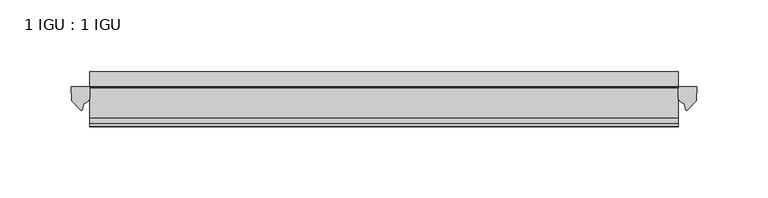
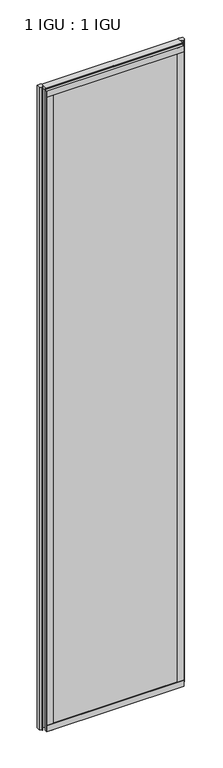
"""IFC4 building model written with IfcOpenShell, lengths in millimetres: plate geometry, 1 IGU : 1 IGU."""

from ifc_helpers import new_model, si_unit, point, frame, frame_2d, origin, place, context, project, spatial, polyline, circle_curve, ellipse_curve, trimmed, segment, composite_curve, outline, extrude, source, transform, mapped, element, save
from ifc_brep_helpers import plane_surface, cylinder_surface, revolved_surface, extruded_surface, advanced_brep


def plate_1_igu_1_igu_e6ada071(model_context):
    return source(origin(), model_context, "Body", "SolidModel", [
        extrude(outline(polyline([(105.7513125, -11.6085937), (105.7513125, -18.8576359), (-307.959125, -18.8576359), (-307.959125, -11.6085937), (105.7513125, -11.6085937)])), frame((0.0, 0.0, -19.05), z_axis=(0.0, 0.0, 1.0), x_axis=(1.0, 0.0, 0.0)), (0.0, 0.0, 1.0), 2038.3500001),
        extrude(outline(polyline([(-307.959125, -30.7093937), (105.7513125, -30.7093937), (105.7513125, -37.0085937), (-307.959125, -37.0085937), (-307.959125, -30.7093937)])), frame((0.0, 0.0, -19.05), z_axis=(0.0, 0.0, 1.0), x_axis=(1.0, 0.0, 0.0)), (0.0, 0.0, 1.0), 2038.3500001),
        extrude(outline(composite_curve([segment(polyline([(118.8292216, -11.6101465), (118.4513125, -21.3502133), (112.5132592, -27.6095865)]), True, "CONTINUOUS"), segment(trimmed(circle_curve(frame_2d((111.8404532, -27.2518492)), 0.762), [point((112.5132592, -27.6095865))], [point((111.1117489, -27.4746364))], False, "CARTESIAN"), True, "CONTINUOUS"), segment(polyline([(111.1117489, -27.4746364), (109.8499144, -23.3488397)]), True, "CONTINUOUS"), segment(trimmed(circle_curve(frame_2d((112.0318715, -16.3834724)), 7.2991286), [point((109.8499144, -23.3488397))], [point((105.7514911, -20.1028944))], False, "CARTESIAN"), True, "CONTINUOUS"), segment(polyline([(105.7514911, -20.1028944), (105.7514911, -12.664425)]), True, "CONTINUOUS"), segment(trimmed(circle_curve(frame_2d((112.0327456, -16.3827796)), 7.2993369), [point((105.7514911, -12.664425))], [point((106.5098575, -11.6101465))], False, "CARTESIAN"), True, "CONTINUOUS"), segment(polyline([(106.5098575, -11.6101465), (118.8292216, -11.6101465)]), True, "CONTINUOUS")], self_intersect=False)), frame((0.0, 0.0, -19.05), z_axis=(0.0, 0.0, 1.0), x_axis=(1.0, 0.0, 0.0)), (0.0, 0.0, 1.0), 2045.4874001),
        extrude(outline(composite_curve([segment(polyline([(-307.959125, -11.610702), (-307.959125, -20.1014769)]), True, "CONTINUOUS"), segment(trimmed(circle_curve(frame_2d((-314.2403193, -16.3829847)), 7.2993552), [point((-307.959125, -20.1014769))], [point((-312.0580748, -23.3484994))], False, "CARTESIAN"), True, "CONTINUOUS"), segment(polyline([(-312.0580748, -23.3484994), (-313.3195614, -27.4746364)]), True, "CONTINUOUS"), segment(trimmed(circle_curve(frame_2d((-314.0482657, -27.2518492)), 0.762), [point((-313.3195614, -27.4746364))], [point((-314.7210717, -27.6095865))], False, "CARTESIAN"), True, "CONTINUOUS"), segment(polyline([(-314.7210717, -27.6095865), (-320.659125, -21.3502133), (-321.0370341, -11.610702), (-307.959125, -11.610702)]), True, "CONTINUOUS")], self_intersect=False)), frame((0.0, 0.0, -19.05), z_axis=(0.0, 0.0, 1.0), x_axis=(1.0, 0.0, 0.0)), (0.0, 0.0, 1.0), 2045.4874001),
        extrude(outline(polyline([(-11.6085937, -15.24), (-11.6085937, 2.8161565), (-0.5298609, 1.2591422), (-0.5298609, -0.6645794), (-5.258589, 0.0), (-5.258589, -4.826), (-1.575589, -4.826), (-1.575589, -7.874), (-5.258589, -7.874), (-5.258589, -13.208), (-3.099589, -13.208), (-3.099589, -15.24), (-11.6085937, -15.24)])), frame((-307.959125, 0.0, 0.0), z_axis=(1.0, 0.0, 0.0), x_axis=(0.0, 1.0, 0.0)), (0.0, 0.0, 1.0), 413.7104375),
        extrude(outline(polyline([(-307.959125, -39.2945937), (-307.959125, -37.0085937), (105.7513125, -37.0085937), (105.7513125, -39.2945937), (-307.959125, -39.2945937)])), frame((0.0, 0.0, -19.05), z_axis=(0.0, 0.0, 1.0), x_axis=(1.0, 0.0, 0.0)), (0.0, 0.0, 1.0), 19.05),
        advanced_brep(
        [(-307.959125, -24.3085937, 2018.1276629), (-307.959125, -33.4116395, 2026.4374001), (-307.959125, -12.7165288, 2026.4374001), (-307.959125, -11.6085937, 2019.3000001), (-307.959125, -17.9077937, 2019.3000001), (105.7513125, -24.3085937, 2018.1276629), (105.7513125, -17.9077937, 2019.3000001), (105.7513125, -11.6085937, 2019.3000001), (105.7513125, -12.7165288, 2026.4374001), (105.7513125, -33.4116395, 2026.4374001)],
        [
            (0, 1, ellipse_curve(frame((-307.959125, -24.3085937, 2028.8250001), z_axis=(-1.0, 0.0, 0.0), x_axis=(0.0, 0.0, -1.0)), 10.6973372, 9.3386252)),
            (1, 2),
            (2, 3, circle_curve(frame((-307.959125, 26.2083666, 2028.8250001), z_axis=(1.0, 0.0, 0.0), x_axis=(0.0, 0.0, -1.0)), 38.9980527)),
            (3, 4),
            (4, 0, circle_curve(frame((-307.959125, -24.3085937, 2036.1875764), z_axis=(-1.0, 0.0, 0.0), x_axis=(0.0, 0.0, -1.0)), 18.0599135)),
            (5, 6, circle_curve(frame((105.7513125, -24.3085937, 2036.1875764), z_axis=(1.0, 0.0, 0.0), x_axis=(0.0, 0.0, -1.0)), 18.0599135)),
            (6, 7),
            (7, 8, circle_curve(frame((105.7513125, 26.2083666, 2028.8250001), z_axis=(-1.0, 0.0, 0.0), x_axis=(0.0, 0.0, -1.0)), 38.9980527)),
            (8, 9),
            (9, 5, ellipse_curve(frame((105.7513125, -24.3085937, 2028.8250001), z_axis=(1.0, 0.0, 0.0), x_axis=(0.0, 0.0, -1.0)), 10.6973372, 9.3386252)),
            (0, 5),
            (9, 1),
            (8, 2),
            (7, 3),
            (6, 4),
        ],
        [
            plane_surface(frame((-307.959125, -9.2273437, 2028.8250001), z_axis=(-1.0, 0.0, 0.0), x_axis=(0.0, 1.0, 0.0))),
            plane_surface(frame((105.7513125, -9.2273438, 2028.8250001), z_axis=(1.0, 0.0, 0.0), x_axis=(0.0, 1.0, 0.0))),
            extruded_surface(trimmed(ellipse_curve(frame((105.7513125, -24.3085937, 2028.8250001), z_axis=(-1.0, 0.0, 0.0), x_axis=(0.0, 0.0, -1.0)), 10.6973372, 9.3386252), [point((105.7513125, -24.3085937, 2018.1276629))], [point((105.7513125, -33.4116395, 2026.4374001))], True, "CARTESIAN"), (-413.71043749999995, 0.0, 0.0), 413.71043749999995),
            plane_surface(frame((-307.959125, -33.4116395, 2026.4374001), z_axis=(0.0, 0.0, 1.0), x_axis=(1.0, 0.0, 0.0))),
            revolved_surface(polyline([(105.75131249999998, 26.2083666, 1989.8269473999999), (-307.959125, 26.2083666, 1989.8269473999999)]), (-307.959125, 26.2083666, 2028.8250001), (1.0, 0.0, 0.0)),
            plane_surface(frame((-307.959125, -11.6085937, 2019.3000001), z_axis=(0.0, 0.0, -1.0), x_axis=(1.0, 0.0, 0.0))),
            cylinder_surface(frame((-307.959125, -24.3085937, 2036.1875764), z_axis=(-1.0, 0.0, 0.0), x_axis=(0.0, 0.0, -1.0)), 18.0599135),
        ],
        [
            (0, [[1, 2, 3, 4, 5]]),
            (1, [[6, 7, 8, 9, 10]]),
            (2, [[-1, 11, -10, 12]]),
            (3, [[-2, -12, -9, 13]]),
            (4, [[-3, -13, -8, 14]]),
            (5, [[-4, -14, -7, 15]]),
            (6, [[-5, -15, -6, -11]]),
        ],
    ),
        extrude(outline(polyline([(-307.959125, -39.2945937), (-307.959125, -37.0085937), (105.7513125, -37.0085937), (105.7513125, -39.2945937), (-307.959125, -39.2945937)])), frame((0.0, 0.0, 2000.2500001), z_axis=(0.0, 0.0, 1.0), x_axis=(1.0, 0.0, 0.0)), (0.0, 0.0, 1.0), 19.05),
        extrude(outline(polyline([(86.7013125, -37.0085937), (105.7513125, -37.0085937), (105.7513125, -39.2945938), (86.7013125, -39.2945938), (86.7013125, -37.0085937)])), frame((0.0, 0.0, -19.05), z_axis=(0.0, 0.0, 1.0), x_axis=(1.0, 0.0, 0.0)), (0.0, 0.0, 1.0), 2038.3500001),
        extrude(outline(polyline([(-307.959125, -39.2945937), (-307.959125, -37.0085937), (-288.909125, -37.0085937), (-288.909125, -39.2945937), (-307.959125, -39.2945937)])), frame((0.0, 0.0, -19.05), z_axis=(0.0, 0.0, 1.0), x_axis=(1.0, 0.0, 0.0)), (0.0, 0.0, 1.0), 2038.3500001),
    ])


if __name__ == "__main__":
    model = new_model("IFC4")
    model_context = context("Model", 3, world=origin())
    ifc_project = project(units=[si_unit("LENGTHUNIT", "METRE", prefix="MILLI")], contexts=[model_context])
    site = spatial("IfcSite", under=ifc_project)
    building = spatial("IfcBuilding", under=site)
    placement = place(None, origin())
    plate_1_igu_1_igu_shape = plate_1_igu_1_igu_e6ada071(model_context)
    element("IfcPlate", 1, ObjectType="1 IGU : 1 IGU", at=placement, inside=building, context=model_context, shape_type="MappedRepresentation", body=[
        mapped(plate_1_igu_1_igu_shape, transform((0.0, 0.0, 0.0), x_axis=(1.0, 0.0, 0.0), y_axis=(0.0, 1.0, 0.0), z_axis=(0.0, 0.0, 1.0))),
    ])
    save(model, "model.ifc")
